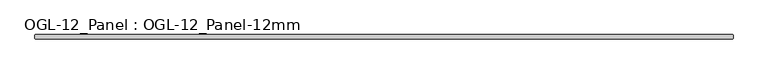
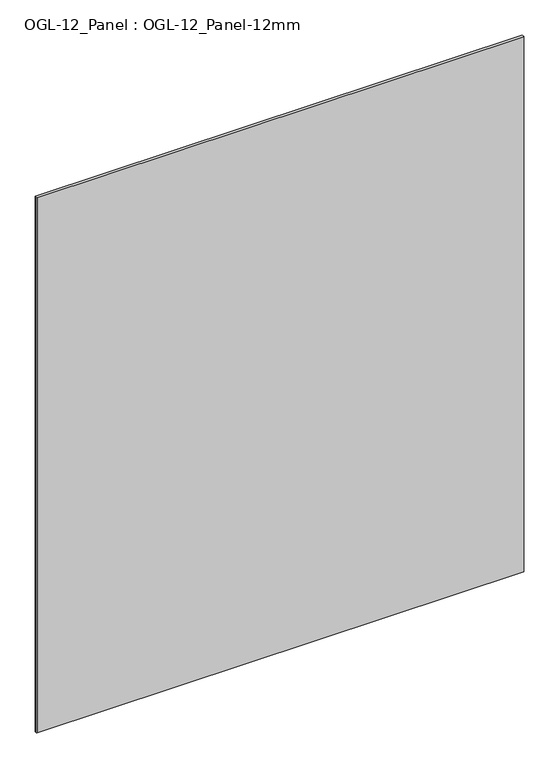
"""IFC4 building model written with IfcOpenShell, lengths in millimetres: plate geometry, OGL-12_Panel : OGL-12_Panel-12mm."""

import ifcopenshell
import ifcopenshell.guid

model = None  # the IFC model being written
_history = None  # IfcOwnerHistory: only IFC2X3 demands one
_inside = {}  # id of a spatial element -> (the spatial element, [elements in it])
_under = {}  # id of a project, library or spatial element -> (it, [spatial elements below it])
_declared = {}  # id of a project -> (the project, [libraries it declares])
_typed = {}  # id of a type object -> (the type object, [elements of that type])
_made_of = {}  # id of a material, layer set ... -> (it, [elements and type objects made of it])


def new_model(schema):
    """Start an empty IFC model of exactly this schema.

    Asked for "IFC4X3", IfcOpenShell would pick the latest addendum, in which some entities
    have other attributes; the version numbers below select the first issue.
    IFC2X3 requires an IfcOwnerHistory on every rooted entity: one is made here for all.
    """
    global model, _history
    if schema == "IFC4X3":
        model = ifcopenshell.file(schema_version=(4, 3, 0, 0))
    else:
        model = ifcopenshell.file(schema=schema)
    _inside.clear()
    _under.clear()
    _declared.clear()
    _typed.clear()
    _made_of.clear()
    _history = None
    if model.schema == "IFC2X3":
        org = make("IfcOrganization", Name="unknown")
        user = make(
            "IfcPersonAndOrganization",
            ThePerson=make("IfcPerson", FamilyName="unknown"),
            TheOrganization=org,
        )
        app = make(
            "IfcApplication",
            ApplicationDeveloper=org,
            Version="unknown",
            ApplicationFullName="unknown",
            ApplicationIdentifier="unknown",
        )
        _history = make(
            "IfcOwnerHistory",
            OwningUser=user,
            OwningApplication=app,
            ChangeAction="ADDED",
            CreationDate=0,
        )
    return model


def make(cls, **values):
    """One entity of the class cls with the attributes given. An attribute that is None is left unset."""
    return model.create_entity(
        cls, **{name: value for name, value in values.items() if value is not None}
    )


def rooted(cls, **values):
    """An entity with a GlobalId (a new one), such as an element, a storey or a relation."""
    return make(cls, GlobalId=ifcopenshell.guid.new(), OwnerHistory=_history, **values)


def si_unit(unit_type, name, prefix=None):
    """IfcSIUnit, for example si_unit("LENGTHUNIT", "METRE", prefix="MILLI")."""
    return make("IfcSIUnit", UnitType=unit_type, Prefix=prefix, Name=name)


def assignment(units):
    """IfcUnitAssignment: the units of a project."""
    return None if units is None else make("IfcUnitAssignment", Units=units)


def point(xyz):
    """IfcCartesianPoint."""
    return None if xyz is None else make("IfcCartesianPoint", Coordinates=xyz)


def direction(xyz):
    """IfcDirection."""
    return None if xyz is None else make("IfcDirection", DirectionRatios=xyz)


def frame(location, z_axis=None, x_axis=None):
    """IfcAxis2Placement3D, a coordinate frame: its origin and axes. An axis left out is left unset."""
    return make(
        "IfcAxis2Placement3D",
        Location=point(location),
        Axis=direction(z_axis),
        RefDirection=direction(x_axis),
    )


def origin():
    """The frame at (0, 0, 0) with its axes left unset."""
    return frame((0.0, 0.0, 0.0))


def origin_with_axes():
    """The frame at (0, 0, 0) with the z axis (0, 0, 1) and the x axis (1, 0, 0) written out."""
    return frame((0.0, 0.0, 0.0), z_axis=(0.0, 0.0, 1.0), x_axis=(1.0, 0.0, 0.0))


def place(relative_to, where):
    """IfcLocalPlacement: puts the frame where relative to a parent placement (None: the world)."""
    return make(
        "IfcLocalPlacement", PlacementRelTo=relative_to, RelativePlacement=where
    )


def context(
    kind, dimensions, precision=None, world=None, true_north=None, identifier=None
):
    """IfcGeometricRepresentationContext, for example the 3D "Model" context."""
    return make(
        "IfcGeometricRepresentationContext",
        ContextIdentifier=identifier,
        ContextType=kind,
        CoordinateSpaceDimension=dimensions,
        Precision=precision,
        WorldCoordinateSystem=world,
        TrueNorth=true_north,
    )


def project(units=None, contexts=None):
    """IfcProject with its units and contexts."""
    return rooted(
        "IfcProject",
        Name="project",
        RepresentationContexts=contexts,
        UnitsInContext=assignment(units),
    )


def spatial(cls, under=None, at=None, **own):
    """A site, building, storey or space (cls), placed at a placement, below another one or the project."""
    s = rooted(cls, ObjectPlacement=at, **own)
    if under is not None:
        _under.setdefault(under.id(), (under, []))[1].append(s)
    return s


def polyline(points):
    """IfcPolyline through the points."""
    return make("IfcPolyline", Points=[point(p) for p in points])


def outline(outer, holes=None, kind="AREA"):
    """IfcArbitraryClosedProfileDef: a profile drawn as a closed curve; with holes, ...WithVoids."""
    if holes is None:
        return make("IfcArbitraryClosedProfileDef", ProfileType=kind, OuterCurve=outer)
    return make(
        "IfcArbitraryProfileDefWithVoids",
        ProfileType=kind,
        OuterCurve=outer,
        InnerCurves=holes,
    )


def extrude(swept, where, along, depth):
    """IfcExtrudedAreaSolid: the profile swept, set in the frame where, extruded along a direction by depth."""
    return make(
        "IfcExtrudedAreaSolid",
        SweptArea=swept,
        Position=where,
        ExtrudedDirection=direction(along),
        Depth=depth,
    )


def shape(context_of_items, identifier, shape_type, items):
    """IfcShapeRepresentation: the items that make up one representation, for example the "Body"."""
    return make(
        "IfcShapeRepresentation",
        ContextOfItems=context_of_items,
        RepresentationIdentifier=identifier,
        RepresentationType=shape_type,
        Items=items,
    )


def source(mapping_origin, context_of_items, identifier, shape_type, items):
    """IfcRepresentationMap: a shape defined once, which mapped items show again and again."""
    return make(
        "IfcRepresentationMap",
        MappingOrigin=mapping_origin,
        MappedRepresentation=shape(context_of_items, identifier, shape_type, items),
    )


def transform(
    local_origin,
    x_axis=None,
    y_axis=None,
    z_axis=None,
    scale=None,
    scale2=None,
    scale3=None,
    uniform=True,
):
    """IfcCartesianTransformationOperator3D, or its non-uniform kind. x_axis, y_axis, z_axis: its Axis1, 2, 3."""
    if uniform:
        return make(
            "IfcCartesianTransformationOperator3D",
            Axis1=direction(x_axis),
            Axis2=direction(y_axis),
            LocalOrigin=point(local_origin),
            Scale=scale,
            Axis3=direction(z_axis),
        )
    return make(
        "IfcCartesianTransformationOperator3DnonUniform",
        Axis1=direction(x_axis),
        Axis2=direction(y_axis),
        LocalOrigin=point(local_origin),
        Scale=scale,
        Axis3=direction(z_axis),
        Scale2=scale2,
        Scale3=scale3,
    )


def mapped(mapping_source, mapping_target):
    """IfcMappedItem: shows the shape of a source again, moved by a transform."""
    return make(
        "IfcMappedItem", MappingSource=mapping_source, MappingTarget=mapping_target
    )


def made_of(thing, what):
    """Note that an element or type object is made of a material, layer set ...; save() writes the relation."""
    if what is not None:
        _made_of.setdefault(what.id(), (what, []))[1].append(thing)
    return thing


def element(
    cls,
    number,
    at=None,
    inside=None,
    cuts=None,
    type_object=None,
    material=None,
    context=None,
    identifier="Body",
    shape_type=None,
    held_by="IfcProductDefinitionShape",
    body=None,
    shapes=None,
    **own,
):
    """One element of the class cls, such as IfcWall. Its Tag is "e" and its number.

    at: its placement. inside: the storey or other place that contains it. cuts: it is an
    opening in that element (IfcRelVoidsElement). A single representation is given by context,
    identifier, shape_type and body (its items); several are given by shapes. held_by: the class
    of the entity that holds the representations. save() writes the other relations.
    """
    e = rooted(cls, Tag="e%d" % number, ObjectPlacement=at, **own)
    if body is not None:
        shapes = [shape(context, identifier, shape_type, body)]
    if shapes is not None:
        e.Representation = make(held_by, Representations=shapes)
    if inside is not None:
        _inside.setdefault(inside.id(), (inside, []))[1].append(e)
    if cuts is not None:
        rooted(
            "IfcRelVoidsElement", RelatingBuildingElement=cuts, RelatedOpeningElement=e
        )
    if type_object is not None:
        _typed.setdefault(type_object.id(), (type_object, []))[1].append(e)
    return made_of(e, material)


def aggregate(whole, parts):
    """IfcRelAggregates: a whole, such as a stair, and the parts it consists of."""
    return rooted("IfcRelAggregates", RelatingObject=whole, RelatedObjects=parts)


def save(model, path):
    """Write the relations noted so far, then the file.

    IfcRelAggregates (storeys below a building ...), IfcRelContainedInSpatialStructure (elements
    in a storey), IfcRelDefinesByType, IfcRelAssociatesMaterial and IfcRelDeclares: one each for
    every whole, place, type object, material and project.
    """
    for whole, parts in _under.values():
        aggregate(whole, parts)
    for where, things in _inside.values():
        rooted(
            "IfcRelContainedInSpatialStructure",
            RelatedElements=things,
            RelatingStructure=where,
        )
    for kind, things in _typed.values():
        rooted("IfcRelDefinesByType", RelatedObjects=things, RelatingType=kind)
    for what, things in _made_of.values():
        rooted("IfcRelAssociatesMaterial", RelatedObjects=things, RelatingMaterial=what)
    for by, libraries in _declared.values():
        rooted("IfcRelDeclares", RelatingContext=by, RelatedDefinitions=libraries)
    model.write(path)


def ogl_12_panel_ogl_12_panel_12mm_8cfbbeb4(model_context):
    return source(origin(), model_context, "Body", "SweptSolid", [
        extrude(outline(polyline([(1006.078125, 29.1703125), (1007.665625, 27.5828125), (1007.665625, 18.0578125), (1006.078125, 16.4703125), (-1006.078125, 16.4703125), (-1007.665625, 18.0578125), (-1007.665625, 27.5828125), (-1006.078125, 29.1703125), (1006.078125, 29.1703125)])), origin_with_axes(), (0.0, 0.0, 1.0), 2339.914687),
    ])


if __name__ == "__main__":
    model = new_model("IFC4")
    model_context = context("Model", 3, world=origin())
    ifc_project = project(units=[si_unit("LENGTHUNIT", "METRE", prefix="MILLI")], contexts=[model_context])
    site = spatial("IfcSite", under=ifc_project)
    building = spatial("IfcBuilding", under=site)
    placement = place(None, origin())
    ogl_12_panel_ogl_12_panel_12mm_shape = ogl_12_panel_ogl_12_panel_12mm_8cfbbeb4(model_context)
    element("IfcPlate", 1, ObjectType="OGL-12_Panel : OGL-12_Panel-12mm", at=placement, inside=building, context=model_context, shape_type="MappedRepresentation", body=[
        mapped(ogl_12_panel_ogl_12_panel_12mm_shape, transform((0.0, 0.0, 0.0), x_axis=(1.0, 0.0, 0.0), y_axis=(0.0, 1.0, 0.0), z_axis=(0.0, 0.0, 1.0))),
    ])
    save(model, "model.ifc")
